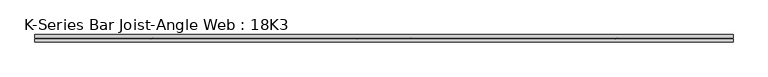
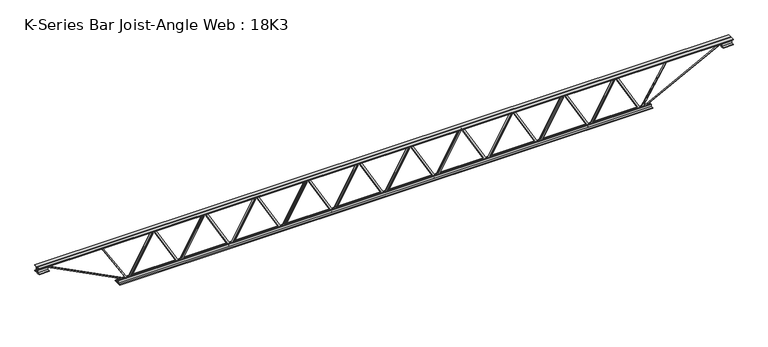
"""IFC4 building model written with IfcOpenShell, lengths in millimetres: beam geometry, K-Series Bar Joist-Angle Web : 18K3."""

from ifc_helpers import new_model, si_unit, frame, origin, place, context, project, spatial, polyline, outline, extrude, faceted_brep, source, transform, mapped, element, save


def k_series_bar_joist_angle_web_18k3_2332e1eb(model_context):
    return source(origin(), model_context, "Body", "SolidModel", [
        extrude(outline(polyline([(-4.7625, 4.7625), (-4.7625, 0.0), (-17.4625, 0.0), (-17.4625, 4.7625), (-4.7625, 4.7625)])), frame((2041.4600616, 0.0, -190.5), z_axis=(-0.4957090542764608, 0.0, 0.8684886490382802), x_axis=(0.0, -1.0, 0.0)), (0.0, 0.0, 1.0), 438.6931256),
        extrude(outline(polyline([(-225.425, 2073.275), (-206.375, 2073.275), (-206.375, 2072.4557243), (225.425, 1825.9963493), (225.425, 1807.765625), (206.375, 1807.765625), (206.375, 1814.9349007), (-225.425, 2061.3942757), (-225.425, 2073.275)])), frame((0.0, 0.0, 0.0), z_axis=(0.0, 1.0, 0.0), x_axis=(0.0, 0.0, 1.0)), (0.0, 0.0, 1.0), 4.7625),
        faceted_brep([(1554.95625, 0.0, -206.375), (1554.95625, 0.0, -225.425), (1554.95625, -4.7625, -225.425), (1554.95625, -4.7625, -206.375), (1555.7755257, 0.0, -206.375), (1802.2349007, 0.0, 225.425), (1820.465625, 0.0, 225.425), (1820.465625, 0.0, 206.375), (1813.2963493, 0.0, 206.375), (1566.8369743, 0.0, -225.425), (1566.8369743, -4.7625, -225.425), (1586.7711884, -4.7625, -190.5), (1582.6350112, -4.7625, -188.1391856), (1800.0991657, -4.7625, 192.8608144), (1804.2353428, -4.7625, 190.5), (1813.2963493, -4.7625, 206.375), (1820.465625, -4.7625, 206.375), (1820.465625, -4.7625, 225.425), (1802.2349007, -4.7625, 225.425), (1555.7755257, -4.7625, -206.375), (1804.2353428, -17.4625, 190.5), (1586.7711884, -17.4625, -190.5), (1582.6350112, -17.4625, -188.1391856), (1800.0991657, -17.4625, 192.8608144)], [[[0, 1, 2, 3]], [[1, 0, 4, 5, 6, 7, 8, 9]], [[2, 1, 9, 10]], [[3, 2, 10, 11, 12, 13, 14, 15, 16, 17, 18, 19]], [[0, 3, 19, 4]], [[9, 8, 15, 14, 20, 21, 11, 10]], [[5, 4, 19, 18]], [[7, 6, 17, 16]], [[8, 7, 16, 15]], [[6, 5, 18, 17]], [[21, 22, 12, 11]], [[20, 14, 13, 23]], [[22, 21, 20, 23]], [[12, 22, 23, 13]]]),
        extrude(outline(polyline([(-4.7625, 4.7625), (-4.7625, 0.0), (-17.4625, 0.0), (-17.4625, 4.7625), (-4.7625, 4.7625)])), frame((1523.1413116, 0.0, -190.5), z_axis=(-0.4957090542764608, 0.0, 0.8684886490382802), x_axis=(0.0, -1.0, 0.0)), (0.0, 0.0, 1.0), 438.6931256),
        extrude(outline(polyline([(-225.425, 1554.95625), (-206.375, 1554.95625), (-206.375, 1554.1369743), (225.425, 1307.6775993), (225.425, 1289.446875), (206.375, 1289.446875), (206.375, 1296.6161507), (-225.425, 1543.0755257), (-225.425, 1554.95625)])), frame((0.0, 0.0, 0.0), z_axis=(0.0, 1.0, 0.0), x_axis=(0.0, 0.0, 1.0)), (0.0, 0.0, 1.0), 4.7625),
        faceted_brep([(1036.6375, 0.0, -206.375), (1036.6375, 0.0, -225.425), (1036.6375, -4.7625, -225.425), (1036.6375, -4.7625, -206.375), (1037.4567757, 0.0, -206.375), (1283.9161507, 0.0, 225.425), (1302.146875, 0.0, 225.425), (1302.146875, 0.0, 206.375), (1294.9775993, 0.0, 206.375), (1048.5182243, 0.0, -225.425), (1048.5182243, -4.7625, -225.425), (1068.4524384, -4.7625, -190.5), (1064.3162612, -4.7625, -188.1391856), (1281.7804157, -4.7625, 192.8608144), (1285.9165928, -4.7625, 190.5), (1294.9775993, -4.7625, 206.375), (1302.146875, -4.7625, 206.375), (1302.146875, -4.7625, 225.425), (1283.9161507, -4.7625, 225.425), (1037.4567757, -4.7625, -206.375), (1285.9165928, -17.4625, 190.5), (1068.4524384, -17.4625, -190.5), (1064.3162612, -17.4625, -188.1391856), (1281.7804157, -17.4625, 192.8608144)], [[[0, 1, 2, 3]], [[1, 0, 4, 5, 6, 7, 8, 9]], [[2, 1, 9, 10]], [[3, 2, 10, 11, 12, 13, 14, 15, 16, 17, 18, 19]], [[0, 3, 19, 4]], [[9, 8, 15, 14, 20, 21, 11, 10]], [[5, 4, 19, 18]], [[7, 6, 17, 16]], [[8, 7, 16, 15]], [[6, 5, 18, 17]], [[21, 22, 12, 11]], [[20, 14, 13, 23]], [[22, 21, 20, 23]], [[12, 22, 23, 13]]]),
        extrude(outline(polyline([(-4.7625, 4.7625), (-4.7625, 0.0), (-17.4625, 0.0), (-17.4625, 4.7625), (-4.7625, 4.7625)])), frame((1004.8225616, 0.0, -190.5), z_axis=(-0.4957090542764608, 0.0, 0.8684886490382802), x_axis=(0.0, -1.0, 0.0)), (0.0, 0.0, 1.0), 438.6931256),
        extrude(outline(polyline([(-225.425, 1036.6375), (-206.375, 1036.6375), (-206.375, 1035.8182243), (225.425, 789.3588493), (225.425, 771.128125), (206.375, 771.128125), (206.375, 778.2974007), (-225.425, 1024.7567757), (-225.425, 1036.6375)])), frame((0.0, 0.0, 0.0), z_axis=(0.0, 1.0, 0.0), x_axis=(0.0, 0.0, 1.0)), (0.0, 0.0, 1.0), 4.7625),
        faceted_brep([(518.31875, 0.0, -206.375), (518.31875, 0.0, -225.425), (518.31875, -4.7625, -225.425), (518.31875, -4.7625, -206.375), (519.1380257, 0.0, -206.375), (765.5974007, 0.0, 225.425), (783.828125, 0.0, 225.425), (783.828125, 0.0, 206.375), (776.6588493, 0.0, 206.375), (530.1994743, 0.0, -225.425), (530.1994743, -4.7625, -225.425), (550.1336884, -4.7625, -190.5), (545.9975112, -4.7625, -188.1391856), (763.4616657, -4.7625, 192.8608144), (767.5978428, -4.7625, 190.5), (776.6588493, -4.7625, 206.375), (783.828125, -4.7625, 206.375), (783.828125, -4.7625, 225.425), (765.5974007, -4.7625, 225.425), (519.1380257, -4.7625, -206.375), (767.5978428, -17.4625, 190.5), (550.1336884, -17.4625, -190.5), (545.9975112, -17.4625, -188.1391856), (763.4616657, -17.4625, 192.8608144)], [[[0, 1, 2, 3]], [[1, 0, 4, 5, 6, 7, 8, 9]], [[2, 1, 9, 10]], [[3, 2, 10, 11, 12, 13, 14, 15, 16, 17, 18, 19]], [[0, 3, 19, 4]], [[9, 8, 15, 14, 20, 21, 11, 10]], [[5, 4, 19, 18]], [[7, 6, 17, 16]], [[8, 7, 16, 15]], [[6, 5, 18, 17]], [[21, 22, 12, 11]], [[20, 14, 13, 23]], [[22, 21, 20, 23]], [[12, 22, 23, 13]]]),
        extrude(outline(polyline([(-4.7625, 4.7625), (-4.7625, 0.0), (-17.4625, 0.0), (-17.4625, 4.7625), (-4.7625, 4.7625)])), frame((486.5038116, 0.0, -190.5), z_axis=(-0.4957090542764608, 0.0, 0.8684886490382802), x_axis=(0.0, -1.0, 0.0)), (0.0, 0.0, 1.0), 438.6931256),
        extrude(outline(polyline([(-225.425, 518.31875), (-206.375, 518.31875), (-206.375, 517.4994743), (225.425, 271.0400993), (225.425, 252.809375), (206.375, 252.809375), (206.375, 259.9786507), (-225.425, 506.4380257), (-225.425, 518.31875)])), frame((0.0, 0.0, 0.0), z_axis=(0.0, 1.0, 0.0), x_axis=(0.0, 0.0, 1.0)), (0.0, 0.0, 1.0), 4.7625),
        faceted_brep([(0.0, 0.0, -206.375), (0.0, 0.0, -225.425), (0.0, -4.7625, -225.425), (0.0, -4.7625, -206.375), (0.8192757, 0.0, -206.375), (247.2786507, 0.0, 225.425), (265.509375, 0.0, 225.425), (265.509375, 0.0, 206.375), (258.3400993, 0.0, 206.375), (11.8807243, 0.0, -225.425), (11.8807243, -4.7625, -225.425), (31.8149384, -4.7625, -190.5), (27.6787612, -4.7625, -188.1391856), (245.1429157, -4.7625, 192.8608144), (249.2790928, -4.7625, 190.5), (258.3400993, -4.7625, 206.375), (265.509375, -4.7625, 206.375), (265.509375, -4.7625, 225.425), (247.2786507, -4.7625, 225.425), (0.8192757, -4.7625, -206.375), (249.2790928, -17.4625, 190.5), (31.8149384, -17.4625, -190.5), (27.6787612, -17.4625, -188.1391856), (245.1429157, -17.4625, 192.8608144)], [[[0, 1, 2, 3]], [[1, 0, 4, 5, 6, 7, 8, 9]], [[2, 1, 9, 10]], [[3, 2, 10, 11, 12, 13, 14, 15, 16, 17, 18, 19]], [[0, 3, 19, 4]], [[9, 8, 15, 14, 20, 21, 11, 10]], [[5, 4, 19, 18]], [[7, 6, 17, 16]], [[8, 7, 16, 15]], [[6, 5, 18, 17]], [[21, 22, 12, 11]], [[20, 14, 13, 23]], [[22, 21, 20, 23]], [[12, 22, 23, 13]]]),
        extrude(outline(polyline([(-4.7625, 4.7625), (-4.7625, 0.0), (-17.4625, 0.0), (-17.4625, 4.7625), (-4.7625, 4.7625)])), frame((-31.8149384, 0.0, -190.5), z_axis=(-0.4957090542764608, 0.0, 0.8684886490382802), x_axis=(0.0, -1.0, 0.0)), (0.0, 0.0, 1.0), 438.6931256),
        extrude(outline(polyline([(-225.425, 0.0), (-206.375, 0.0), (-206.375, -0.8192757), (225.425, -247.2786507), (225.425, -265.509375), (206.375, -265.509375), (206.375, -258.3400993), (-225.425, -11.8807243), (-225.425, 0.0)])), frame((0.0, 0.0, 0.0), z_axis=(0.0, 1.0, 0.0), x_axis=(0.0, 0.0, 1.0)), (0.0, 0.0, 1.0), 4.7625),
        faceted_brep([(-518.31875, 0.0, -206.375), (-518.31875, 0.0, -225.425), (-518.31875, -4.7625, -225.425), (-518.31875, -4.7625, -206.375), (-517.4994743, 0.0, -206.375), (-271.0400993, 0.0, 225.425), (-252.809375, 0.0, 225.425), (-252.809375, 0.0, 206.375), (-259.9786507, 0.0, 206.375), (-506.4380257, 0.0, -225.425), (-506.4380257, -4.7625, -225.425), (-486.5038116, -4.7625, -190.5), (-490.6399888, -4.7625, -188.1391856), (-273.1758343, -4.7625, 192.8608144), (-269.0396572, -4.7625, 190.5), (-259.9786507, -4.7625, 206.375), (-252.809375, -4.7625, 206.375), (-252.809375, -4.7625, 225.425), (-271.0400993, -4.7625, 225.425), (-517.4994743, -4.7625, -206.375), (-269.0396572, -17.4625, 190.5), (-486.5038116, -17.4625, -190.5), (-490.6399888, -17.4625, -188.1391856), (-273.1758343, -17.4625, 192.8608144)], [[[0, 1, 2, 3]], [[1, 0, 4, 5, 6, 7, 8, 9]], [[2, 1, 9, 10]], [[3, 2, 10, 11, 12, 13, 14, 15, 16, 17, 18, 19]], [[0, 3, 19, 4]], [[9, 8, 15, 14, 20, 21, 11, 10]], [[5, 4, 19, 18]], [[7, 6, 17, 16]], [[8, 7, 16, 15]], [[6, 5, 18, 17]], [[21, 22, 12, 11]], [[20, 14, 13, 23]], [[22, 21, 20, 23]], [[12, 22, 23, 13]]]),
        extrude(outline(polyline([(-4.7625, 4.7625), (-4.7625, 0.0), (-17.4625, 0.0), (-17.4625, 4.7625), (-4.7625, 4.7625)])), frame((-550.1336884, 0.0, -190.5), z_axis=(-0.4957090542764608, 0.0, 0.8684886490382802), x_axis=(0.0, -1.0, 0.0)), (0.0, 0.0, 1.0), 438.6931256),
        extrude(outline(polyline([(-225.425, -518.31875), (-206.375, -518.31875), (-206.375, -519.1380257), (225.425, -765.5974007), (225.425, -783.828125), (206.375, -783.828125), (206.375, -776.6588493), (-225.425, -530.1994743), (-225.425, -518.31875)])), frame((0.0, 0.0, 0.0), z_axis=(0.0, 1.0, 0.0), x_axis=(0.0, 0.0, 1.0)), (0.0, 0.0, 1.0), 4.7625),
        faceted_brep([(-1036.6375, 0.0, -206.375), (-1036.6375, 0.0, -225.425), (-1036.6375, -4.7625, -225.425), (-1036.6375, -4.7625, -206.375), (-1035.8182243, 0.0, -206.375), (-789.3588493, 0.0, 225.425), (-771.128125, 0.0, 225.425), (-771.128125, 0.0, 206.375), (-778.2974007, 0.0, 206.375), (-1024.7567757, 0.0, -225.425), (-1024.7567757, -4.7625, -225.425), (-1004.8225616, -4.7625, -190.5), (-1008.9587388, -4.7625, -188.1391856), (-791.4945843, -4.7625, 192.8608144), (-787.3584072, -4.7625, 190.5), (-778.2974007, -4.7625, 206.375), (-771.128125, -4.7625, 206.375), (-771.128125, -4.7625, 225.425), (-789.3588493, -4.7625, 225.425), (-1035.8182243, -4.7625, -206.375), (-787.3584072, -17.4625, 190.5), (-1004.8225616, -17.4625, -190.5), (-1008.9587388, -17.4625, -188.1391856), (-791.4945843, -17.4625, 192.8608144)], [[[0, 1, 2, 3]], [[1, 0, 4, 5, 6, 7, 8, 9]], [[2, 1, 9, 10]], [[3, 2, 10, 11, 12, 13, 14, 15, 16, 17, 18, 19]], [[0, 3, 19, 4]], [[9, 8, 15, 14, 20, 21, 11, 10]], [[5, 4, 19, 18]], [[7, 6, 17, 16]], [[8, 7, 16, 15]], [[6, 5, 18, 17]], [[21, 22, 12, 11]], [[20, 14, 13, 23]], [[22, 21, 20, 23]], [[12, 22, 23, 13]]]),
        extrude(outline(polyline([(-4.7625, 4.7625), (-4.7625, 0.0), (-17.4625, 0.0), (-17.4625, 4.7625), (-4.7625, 4.7625)])), frame((-1068.4524384, 0.0, -190.5), z_axis=(-0.4957090542764608, 0.0, 0.8684886490382802), x_axis=(0.0, -1.0, 0.0)), (0.0, 0.0, 1.0), 438.6931256),
        extrude(outline(polyline([(-225.425, -1036.6375), (-206.375, -1036.6375), (-206.375, -1037.4567757), (225.425, -1283.9161507), (225.425, -1302.146875), (206.375, -1302.146875), (206.375, -1294.9775993), (-225.425, -1048.5182243), (-225.425, -1036.6375)])), frame((0.0, 0.0, 0.0), z_axis=(0.0, 1.0, 0.0), x_axis=(0.0, 0.0, 1.0)), (0.0, 0.0, 1.0), 4.7625),
        faceted_brep([(-1554.95625, 0.0, -206.375), (-1554.95625, 0.0, -225.425), (-1554.95625, -4.7625, -225.425), (-1554.95625, -4.7625, -206.375), (-1554.1369743, 0.0, -206.375), (-1307.6775993, 0.0, 225.425), (-1289.446875, 0.0, 225.425), (-1289.446875, 0.0, 206.375), (-1296.6161507, 0.0, 206.375), (-1543.0755257, 0.0, -225.425), (-1543.0755257, -4.7625, -225.425), (-1523.1413116, -4.7625, -190.5), (-1527.2774888, -4.7625, -188.1391856), (-1309.8133343, -4.7625, 192.8608144), (-1305.6771572, -4.7625, 190.5), (-1296.6161507, -4.7625, 206.375), (-1289.446875, -4.7625, 206.375), (-1289.446875, -4.7625, 225.425), (-1307.6775993, -4.7625, 225.425), (-1554.1369743, -4.7625, -206.375), (-1305.6771572, -17.4625, 190.5), (-1523.1413116, -17.4625, -190.5), (-1527.2774888, -17.4625, -188.1391856), (-1309.8133343, -17.4625, 192.8608144)], [[[0, 1, 2, 3]], [[1, 0, 4, 5, 6, 7, 8, 9]], [[2, 1, 9, 10]], [[3, 2, 10, 11, 12, 13, 14, 15, 16, 17, 18, 19]], [[0, 3, 19, 4]], [[9, 8, 15, 14, 20, 21, 11, 10]], [[5, 4, 19, 18]], [[7, 6, 17, 16]], [[8, 7, 16, 15]], [[6, 5, 18, 17]], [[21, 22, 12, 11]], [[20, 14, 13, 23]], [[22, 21, 20, 23]], [[12, 22, 23, 13]]]),
        extrude(outline(polyline([(-4.7625, 4.7625), (-4.7625, 0.0), (-17.4625, 0.0), (-17.4625, 4.7625), (-4.7625, 4.7625)])), frame((-1586.7711884, 0.0, -190.5), z_axis=(-0.4957090542764608, 0.0, 0.8684886490382802), x_axis=(0.0, -1.0, 0.0)), (0.0, 0.0, 1.0), 438.6931256),
        extrude(outline(polyline([(-225.425, -1554.95625), (-206.375, -1554.95625), (-206.375, -1555.7755257), (225.425, -1802.2349007), (225.425, -1820.465625), (206.375, -1820.465625), (206.375, -1813.2963493), (-225.425, -1566.8369743), (-225.425, -1554.95625)])), frame((0.0, 0.0, 0.0), z_axis=(0.0, 1.0, 0.0), x_axis=(0.0, 0.0, 1.0)), (0.0, 0.0, 1.0), 4.7625),
        faceted_brep([(-2073.275, 0.0, -206.375), (-2073.275, 0.0, -225.425), (-2073.275, -4.7625, -225.425), (-2073.275, -4.7625, -206.375), (-2072.4557243, 0.0, -206.375), (-1825.9963493, 0.0, 225.425), (-1807.765625, 0.0, 225.425), (-1807.765625, 0.0, 206.375), (-1814.9349007, 0.0, 206.375), (-2061.3942757, 0.0, -225.425), (-2061.3942757, -4.7625, -225.425), (-2041.4600616, -4.7625, -190.5), (-2045.5962388, -4.7625, -188.1391856), (-1828.1320843, -4.7625, 192.8608144), (-1823.9959072, -4.7625, 190.5), (-1814.9349007, -4.7625, 206.375), (-1807.765625, -4.7625, 206.375), (-1807.765625, -4.7625, 225.425), (-1825.9963493, -4.7625, 225.425), (-2072.4557243, -4.7625, -206.375), (-1823.9959072, -17.4625, 190.5), (-2041.4600616, -17.4625, -190.5), (-2045.5962388, -17.4625, -188.1391856), (-1828.1320843, -17.4625, 192.8608144)], [[[0, 1, 2, 3]], [[1, 0, 4, 5, 6, 7, 8, 9]], [[2, 1, 9, 10]], [[3, 2, 10, 11, 12, 13, 14, 15, 16, 17, 18, 19]], [[0, 3, 19, 4]], [[9, 8, 15, 14, 20, 21, 11, 10]], [[5, 4, 19, 18]], [[7, 6, 17, 16]], [[8, 7, 16, 15]], [[6, 5, 18, 17]], [[21, 22, 12, 11]], [[20, 14, 13, 23]], [[22, 21, 20, 23]], [[12, 22, 23, 13]]]),
        extrude(outline(polyline([(-4.7625, 4.7625), (-4.7625, 0.0), (-17.4625, 0.0), (-17.4625, 4.7625), (-4.7625, 4.7625)])), frame((2559.7788116, 0.0, -190.5), z_axis=(-0.4957090542764608, 0.0, 0.8684886490382802), x_axis=(0.0, -1.0, 0.0)), (0.0, 0.0, 1.0), 438.6931256),
        extrude(outline(polyline([(-225.425, 2591.59375), (-206.375, 2591.59375), (-206.375, 2590.7744743), (225.425, 2344.3150993), (225.425, 2326.084375), (206.375, 2326.084375), (206.375, 2333.2536507), (-225.425, 2579.7130257), (-225.425, 2591.59375)])), frame((0.0, 0.0, 0.0), z_axis=(0.0, 1.0, 0.0), x_axis=(0.0, 0.0, 1.0)), (0.0, 0.0, 1.0), 4.7625),
        faceted_brep([(2073.275, 0.0, -206.375), (2073.275, 0.0, -225.425), (2073.275, -4.7625, -225.425), (2073.275, -4.7625, -206.375), (2074.0942757, 0.0, -206.375), (2320.5536507, 0.0, 225.425), (2338.784375, 0.0, 225.425), (2338.784375, 0.0, 206.375), (2331.6150993, 0.0, 206.375), (2085.1557243, 0.0, -225.425), (2085.1557243, -4.7625, -225.425), (2105.0899384, -4.7625, -190.5), (2100.9537612, -4.7625, -188.1391856), (2318.4179157, -4.7625, 192.8608144), (2322.5540928, -4.7625, 190.5), (2331.6150993, -4.7625, 206.375), (2338.784375, -4.7625, 206.375), (2338.784375, -4.7625, 225.425), (2320.5536507, -4.7625, 225.425), (2074.0942757, -4.7625, -206.375), (2322.5540928, -17.4625, 190.5), (2105.0899384, -17.4625, -190.5), (2100.9537612, -17.4625, -188.1391856), (2318.4179157, -17.4625, 192.8608144)], [[[0, 1, 2, 3]], [[1, 0, 4, 5, 6, 7, 8, 9]], [[2, 1, 9, 10]], [[3, 2, 10, 11, 12, 13, 14, 15, 16, 17, 18, 19]], [[0, 3, 19, 4]], [[9, 8, 15, 14, 20, 21, 11, 10]], [[5, 4, 19, 18]], [[7, 6, 17, 16]], [[8, 7, 16, 15]], [[6, 5, 18, 17]], [[21, 22, 12, 11]], [[20, 14, 13, 23]], [[22, 21, 20, 23]], [[12, 22, 23, 13]]]),
        extrude(outline(polyline([(-4.7625, 4.7625), (-4.7625, 0.0), (-17.4625, 0.0), (-17.4625, 4.7625), (-4.7625, 4.7625)])), frame((-2105.0899384, 0.0, -190.5), z_axis=(-0.4957090542764608, 0.0, 0.8684886490382802), x_axis=(0.0, -1.0, 0.0)), (0.0, 0.0, 1.0), 438.6931256),
        extrude(outline(polyline([(-225.425, -2073.275), (-206.375, -2073.275), (-206.375, -2074.0942757), (225.425, -2320.5536507), (225.425, -2338.784375), (206.375, -2338.784375), (206.375, -2331.6150993), (-225.425, -2085.1557243), (-225.425, -2073.275)])), frame((0.0, 0.0, 0.0), z_axis=(0.0, 1.0, 0.0), x_axis=(0.0, 0.0, 1.0)), (0.0, 0.0, 1.0), 4.7625),
        faceted_brep([(-2591.59375, 0.0, -206.375), (-2591.59375, 0.0, -225.425), (-2591.59375, -4.7625, -225.425), (-2591.59375, -4.7625, -206.375), (-2590.7744743, 0.0, -206.375), (-2344.3150993, 0.0, 225.425), (-2326.084375, 0.0, 225.425), (-2326.084375, 0.0, 206.375), (-2333.2536507, 0.0, 206.375), (-2579.7130257, 0.0, -225.425), (-2579.7130257, -4.7625, -225.425), (-2559.7788116, -4.7625, -190.5), (-2563.9149888, -4.7625, -188.1391856), (-2346.4508343, -4.7625, 192.8608144), (-2342.3146572, -4.7625, 190.5), (-2333.2536507, -4.7625, 206.375), (-2326.084375, -4.7625, 206.375), (-2326.084375, -4.7625, 225.425), (-2344.3150993, -4.7625, 225.425), (-2590.7744743, -4.7625, -206.375), (-2342.3146572, -17.4625, 190.5), (-2559.7788116, -17.4625, -190.5), (-2563.9149888, -17.4625, -188.1391856), (-2346.4508343, -17.4625, 192.8608144)], [[[0, 1, 2, 3]], [[1, 0, 4, 5, 6, 7, 8, 9]], [[2, 1, 9, 10]], [[3, 2, 10, 11, 12, 13, 14, 15, 16, 17, 18, 19]], [[0, 3, 19, 4]], [[9, 8, 15, 14, 20, 21, 11, 10]], [[5, 4, 19, 18]], [[7, 6, 17, 16]], [[8, 7, 16, 15]], [[6, 5, 18, 17]], [[21, 22, 12, 11]], [[20, 14, 13, 23]], [[22, 21, 20, 23]], [[12, 22, 23, 13]]]),
        extrude(outline(polyline([(4.7625, 228.6), (36.5125, 228.6), (36.5125, 222.25), (11.1125, 222.25), (11.1125, 196.85), (4.7625, 196.85), (4.7625, 228.6)])), frame((-3505.99375, 0.0, 0.0), z_axis=(1.0, 0.0, 0.0), x_axis=(0.0, 1.0, 0.0)), (0.0, 0.0, 1.0), 7011.9875),
        extrude(outline(polyline([(-4.7625, 228.6), (-4.7625, 196.85), (-11.1125, 196.85), (-11.1125, 222.25), (-36.5125, 222.25), (-36.5125, 228.6), (-4.7625, 228.6)])), frame((-3505.99375, 0.0, 0.0), z_axis=(1.0, 0.0, 0.0), x_axis=(0.0, 1.0, 0.0)), (0.0, 0.0, 1.0), 7011.9875),
        extrude(outline(polyline([(-4.7625, 165.1), (-36.5125, 165.1), (-36.5125, 171.45), (-11.1125, 171.45), (-11.1125, 196.85), (-4.7625, 196.85), (-4.7625, 165.1)])), frame((-3505.99375, 0.0, 0.0), z_axis=(1.0, 0.0, 0.0), x_axis=(0.0, 1.0, 0.0)), (0.0, 0.0, 1.0), 101.6),
        extrude(outline(polyline([(36.5125, 165.1), (4.7625, 165.1), (4.7625, 196.85), (11.1125, 196.85), (11.1125, 171.45), (36.5125, 171.45), (36.5125, 165.1)])), frame((-3505.99375, 0.0, 0.0), z_axis=(1.0, 0.0, 0.0), x_axis=(0.0, 1.0, 0.0)), (0.0, 0.0, 1.0), 101.6),
        extrude(outline(polyline([(4.7625, 165.1), (4.7625, 196.85), (11.1125, 196.85), (11.1125, 171.45), (36.5125, 171.45), (36.5125, 165.1), (4.7625, 165.1)])), frame((3404.39375, 0.0, 0.0), z_axis=(1.0, 0.0, 0.0), x_axis=(0.0, 1.0, 0.0)), (0.0, 0.0, 1.0), 101.6),
        extrude(outline(polyline([(-4.7625, 165.1), (-36.5125, 165.1), (-36.5125, 171.45), (-11.1125, 171.45), (-11.1125, 196.85), (-4.7625, 196.85), (-4.7625, 165.1)])), frame((3404.39375, 0.0, 0.0), z_axis=(1.0, 0.0, 0.0), x_axis=(0.0, 1.0, 0.0)), (0.0, 0.0, 1.0), 101.6),
        extrude(outline(polyline([(4.7625, -228.6), (4.7625, -196.85), (11.1125, -196.85), (11.1125, -222.25), (36.5125, -222.25), (36.5125, -228.6), (4.7625, -228.6)])), frame((-2693.19375, 0.0, 0.0), z_axis=(1.0, 0.0, 0.0), x_axis=(0.0, 1.0, 0.0)), (0.0, 0.0, 1.0), 5386.3875),
        extrude(outline(polyline([(-4.7625, -228.6), (-36.5125, -228.6), (-36.5125, -222.25), (-11.1125, -222.25), (-11.1125, -196.85), (-4.7625, -196.85), (-4.7625, -228.6)])), frame((-2693.19375, 0.0, 0.0), z_axis=(1.0, 0.0, 0.0), x_axis=(0.0, 1.0, 0.0)), (0.0, 0.0, 1.0), 5386.3875),
        extrude(outline(polyline([(4.7625, 4.7625), (4.7625, -4.7625), (-4.7625, -4.7625), (-4.7625, 4.7625), (4.7625, 4.7625)])), frame((2591.59375, 0.0, -222.25), z_axis=(0.5259386385299848, 0.0, 0.8505225149878315), x_axis=(0.0, -1.0, 0.0)), (0.0, 0.0, 1.0), 492.7559149),
        extrude(outline(polyline([(4.7625, 4.7625), (4.7625, -4.7625), (-4.7625, -4.7625), (-4.7625, 4.7625), (4.7625, 4.7625)])), frame((-2591.59375, 0.0, -222.25), z_axis=(-0.5259386385299579, 0.0, 0.8505225149878481), x_axis=(0.0, -1.0, 0.0)), (0.0, 0.0, 1.0), 492.7559149),
        extrude(outline(polyline([(0.0, -9.525), (0.0, 0.0), (914.4881902, 0.0), (914.4881902, -9.525), (0.0, -9.525)])), frame((3406.576352, -4.7625, 192.6170749), z_axis=(-0.45828913319462083, 0.0, 0.8888031674086919), x_axis=(-0.8888031674086919, 0.0, -0.45828913319462083)), (0.0, 0.0, 1.0), 9.525),
        extrude(outline(polyline([(0.0, -9.525), (0.0, 0.0), (914.4881902, 0.0), (914.4881902, -9.525), (0.0, -9.525)])), frame((-3406.576352, 4.7625, 192.6170749), z_axis=(0.4582891331946201, 0.0, 0.8888031674086923), x_axis=(0.8888031674086923, 0.0, -0.4582891331946201)), (0.0, 0.0, 1.0), 9.525),
    ])


if __name__ == "__main__":
    model = new_model("IFC4")
    model_context = context("Model", 3, world=origin())
    ifc_project = project(units=[si_unit("LENGTHUNIT", "METRE", prefix="MILLI")], contexts=[model_context])
    site = spatial("IfcSite", under=ifc_project)
    building = spatial("IfcBuilding", under=site)
    placement = place(None, origin())
    k_series_bar_joist_angle_web_18k3_shape = k_series_bar_joist_angle_web_18k3_2332e1eb(model_context)
    element("IfcBeam", 1, ObjectType="K-Series Bar Joist-Angle Web : 18K3", at=placement, inside=building, context=model_context, shape_type="MappedRepresentation", body=[
        mapped(k_series_bar_joist_angle_web_18k3_shape, transform((0.0, 0.0, 0.0), x_axis=(1.0, 0.0, 0.0), y_axis=(0.0, 1.0, 0.0), z_axis=(0.0, 0.0, 1.0))),
    ])
    save(model, "model.ifc")
